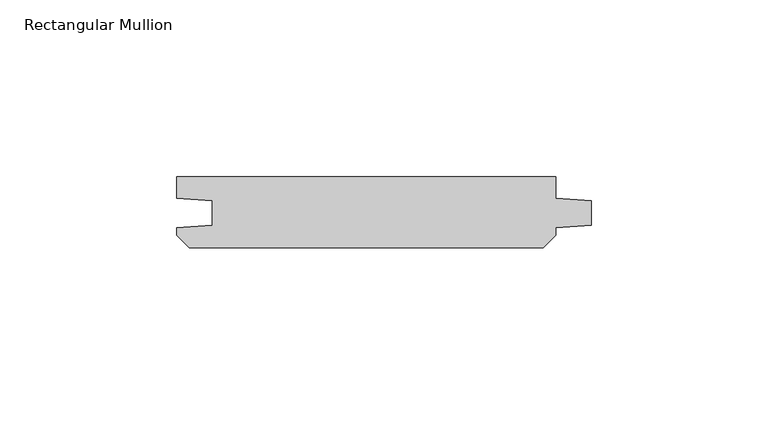
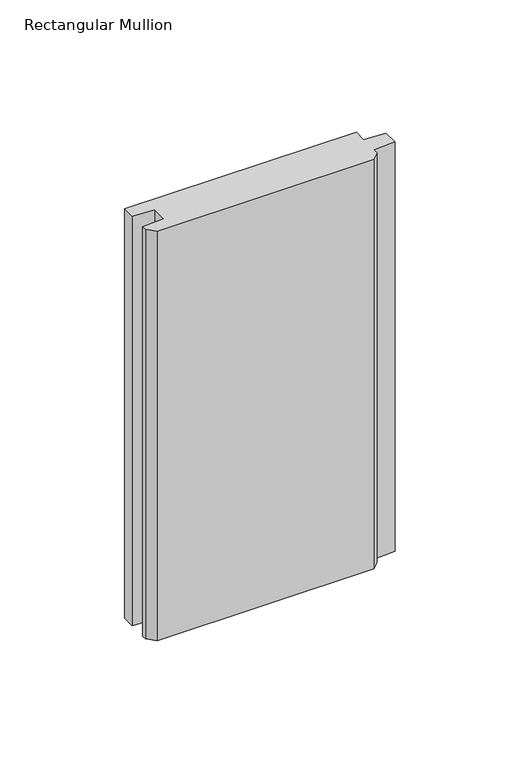
"""IFC4 building model written with IfcOpenShell, lengths in millimetres: member geometry, Rectangular Mullion."""

from ifc_helpers import new_model, si_unit, frame, origin, place, context, project, spatial, polyline, outline, extrude, source, transform, mapped, element, save


def rectangular_mullion_e139e673(model_context):
    return source(origin(), model_context, "Body", "SweptSolid", [
        extrude(outline(polyline([(-10.0, 0.0), (-10.0, -5.9651903), (0.0, -6.6644584), (0.0, -13.6642442), (-10.0, -14.3635124), (-10.0, -16.5283124), (-13.4716876, -20.0), (-113.5283124, -20.0), (-117.0, -16.5283124), (-117.0, -14.3635124), (-107.0, -13.6642442), (-107.0, -6.6644584), (-117.0, -5.9651903), (-117.0, 0.0), (-10.0, 0.0)])), frame((0.0, 0.0, -200.0), z_axis=(0.0, 0.0, 1.0), x_axis=(1.0, 0.0, 0.0)), (0.0, 0.0, 1.0), 200.0),
    ])


if __name__ == "__main__":
    model = new_model("IFC4")
    model_context = context("Model", 3, world=origin())
    ifc_project = project(units=[si_unit("LENGTHUNIT", "METRE", prefix="MILLI")], contexts=[model_context])
    site = spatial("IfcSite", under=ifc_project)
    building = spatial("IfcBuilding", under=site)
    placement = place(None, origin())
    rectangular_mullion_shape = rectangular_mullion_e139e673(model_context)
    element("IfcMember", 1, ObjectType="Rectangular Mullion", at=placement, inside=building, context=model_context, shape_type="MappedRepresentation", body=[
        mapped(rectangular_mullion_shape, transform((0.0, 0.0, 0.0), x_axis=(1.0, 0.0, 0.0), y_axis=(0.0, 1.0, 0.0), z_axis=(0.0, 0.0, 1.0))),
    ])
    save(model, "model.ifc")
